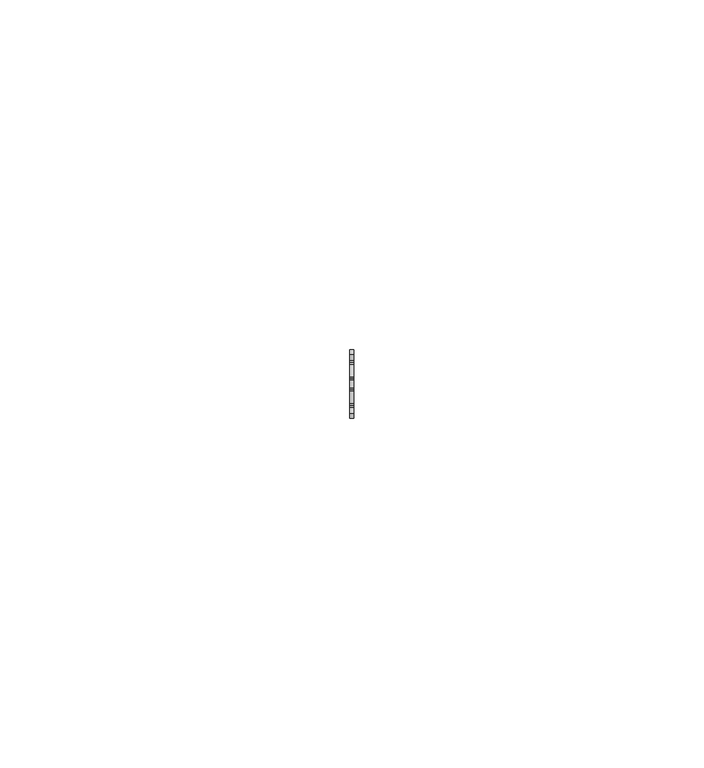
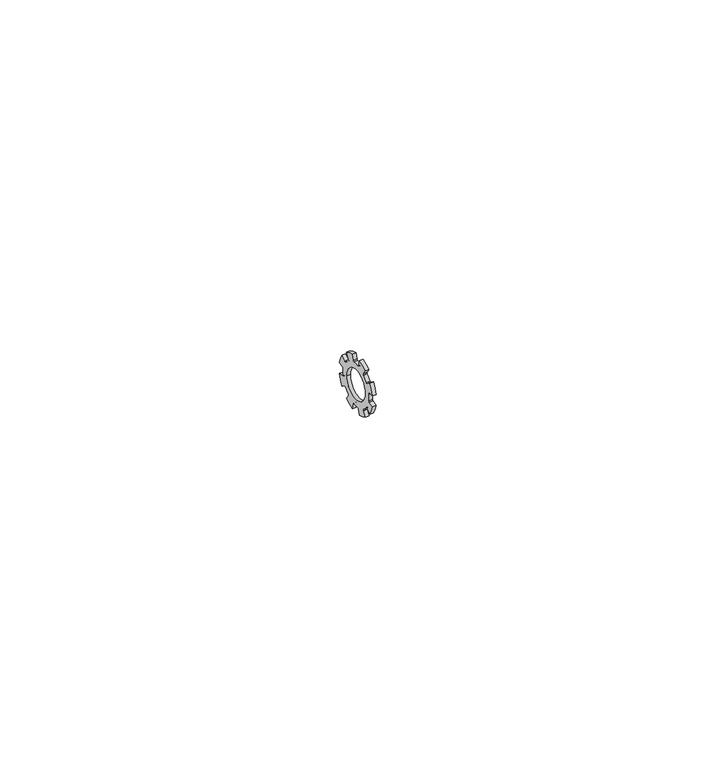
"""IFC4 building model written with IfcOpenShell, lengths in millimetres: proxy geometry."""

import ifcopenshell
import ifcopenshell.guid

model = None  # the IFC model being written
_history = None  # IfcOwnerHistory: only IFC2X3 demands one
_inside = {}  # id of a spatial element -> (the spatial element, [elements in it])
_under = {}  # id of a project, library or spatial element -> (it, [spatial elements below it])
_declared = {}  # id of a project -> (the project, [libraries it declares])
_typed = {}  # id of a type object -> (the type object, [elements of that type])
_made_of = {}  # id of a material, layer set ... -> (it, [elements and type objects made of it])


def new_model(schema):
    """Start an empty IFC model of exactly this schema.

    Asked for "IFC4X3", IfcOpenShell would pick the latest addendum, in which some entities
    have other attributes; the version numbers below select the first issue.
    IFC2X3 requires an IfcOwnerHistory on every rooted entity: one is made here for all.
    """
    global model, _history
    if schema == "IFC4X3":
        model = ifcopenshell.file(schema_version=(4, 3, 0, 0))
    else:
        model = ifcopenshell.file(schema=schema)
    _inside.clear()
    _under.clear()
    _declared.clear()
    _typed.clear()
    _made_of.clear()
    _history = None
    if model.schema == "IFC2X3":
        org = make("IfcOrganization", Name="unknown")
        user = make(
            "IfcPersonAndOrganization",
            ThePerson=make("IfcPerson", FamilyName="unknown"),
            TheOrganization=org,
        )
        app = make(
            "IfcApplication",
            ApplicationDeveloper=org,
            Version="unknown",
            ApplicationFullName="unknown",
            ApplicationIdentifier="unknown",
        )
        _history = make(
            "IfcOwnerHistory",
            OwningUser=user,
            OwningApplication=app,
            ChangeAction="ADDED",
            CreationDate=0,
        )
    return model


def make(cls, **values):
    """One entity of the class cls with the attributes given. An attribute that is None is left unset."""
    return model.create_entity(
        cls, **{name: value for name, value in values.items() if value is not None}
    )


def rooted(cls, **values):
    """An entity with a GlobalId (a new one), such as an element, a storey or a relation."""
    return make(cls, GlobalId=ifcopenshell.guid.new(), OwnerHistory=_history, **values)


def si_unit(unit_type, name, prefix=None):
    """IfcSIUnit, for example si_unit("LENGTHUNIT", "METRE", prefix="MILLI")."""
    return make("IfcSIUnit", UnitType=unit_type, Prefix=prefix, Name=name)


def assignment(units):
    """IfcUnitAssignment: the units of a project."""
    return None if units is None else make("IfcUnitAssignment", Units=units)


def point(xyz):
    """IfcCartesianPoint."""
    return None if xyz is None else make("IfcCartesianPoint", Coordinates=xyz)


def direction(xyz):
    """IfcDirection."""
    return None if xyz is None else make("IfcDirection", DirectionRatios=xyz)


def frame(location, z_axis=None, x_axis=None):
    """IfcAxis2Placement3D, a coordinate frame: its origin and axes. An axis left out is left unset."""
    return make(
        "IfcAxis2Placement3D",
        Location=point(location),
        Axis=direction(z_axis),
        RefDirection=direction(x_axis),
    )


def frame_2d(location, x_axis=None):
    """IfcAxis2Placement2D, a coordinate frame in the plane: its origin and x axis."""
    return make(
        "IfcAxis2Placement2D", Location=point(location), RefDirection=direction(x_axis)
    )


def origin():
    """The frame at (0, 0, 0) with its axes left unset."""
    return frame((0.0, 0.0, 0.0))


def origin_2d():
    """The frame at (0, 0) in the plane with its x axis left unset."""
    return frame_2d((0.0, 0.0))


def place(relative_to, where):
    """IfcLocalPlacement: puts the frame where relative to a parent placement (None: the world)."""
    return make(
        "IfcLocalPlacement", PlacementRelTo=relative_to, RelativePlacement=where
    )


def context(
    kind, dimensions, precision=None, world=None, true_north=None, identifier=None
):
    """IfcGeometricRepresentationContext, for example the 3D "Model" context."""
    return make(
        "IfcGeometricRepresentationContext",
        ContextIdentifier=identifier,
        ContextType=kind,
        CoordinateSpaceDimension=dimensions,
        Precision=precision,
        WorldCoordinateSystem=world,
        TrueNorth=true_north,
    )


def project(units=None, contexts=None):
    """IfcProject with its units and contexts."""
    return rooted(
        "IfcProject",
        Name="project",
        RepresentationContexts=contexts,
        UnitsInContext=assignment(units),
    )


def spatial(cls, under=None, at=None, **own):
    """A site, building, storey or space (cls), placed at a placement, below another one or the project."""
    s = rooted(cls, ObjectPlacement=at, **own)
    if under is not None:
        _under.setdefault(under.id(), (under, []))[1].append(s)
    return s


def polyline(points):
    """IfcPolyline through the points."""
    return make("IfcPolyline", Points=[point(p) for p in points])


def circle_curve(where, radius):
    """IfcCircle in the frame where."""
    return make("IfcCircle", Position=where, Radius=radius)


def trimmed(basis, trim1, trim2, sense, master):
    """IfcTrimmedCurve: the piece of a basis curve between two trims."""
    return make(
        "IfcTrimmedCurve",
        BasisCurve=basis,
        Trim1=trim1,
        Trim2=trim2,
        SenseAgreement=sense,
        MasterRepresentation=master,
    )


def segment(curve, same_sense, transition):
    """IfcCompositeCurveSegment."""
    return make(
        "IfcCompositeCurveSegment",
        Transition=transition,
        SameSense=same_sense,
        ParentCurve=curve,
    )


def composite_curve(segments, self_intersect=None):
    """IfcCompositeCurve: segments joined end to end."""
    return make("IfcCompositeCurve", Segments=segments, SelfIntersect=self_intersect)


def outline(outer, holes=None, kind="AREA"):
    """IfcArbitraryClosedProfileDef: a profile drawn as a closed curve; with holes, ...WithVoids."""
    if holes is None:
        return make("IfcArbitraryClosedProfileDef", ProfileType=kind, OuterCurve=outer)
    return make(
        "IfcArbitraryProfileDefWithVoids",
        ProfileType=kind,
        OuterCurve=outer,
        InnerCurves=holes,
    )


def extrude(swept, where, along, depth):
    """IfcExtrudedAreaSolid: the profile swept, set in the frame where, extruded along a direction by depth."""
    return make(
        "IfcExtrudedAreaSolid",
        SweptArea=swept,
        Position=where,
        ExtrudedDirection=direction(along),
        Depth=depth,
    )


def shape(context_of_items, identifier, shape_type, items):
    """IfcShapeRepresentation: the items that make up one representation, for example the "Body"."""
    return make(
        "IfcShapeRepresentation",
        ContextOfItems=context_of_items,
        RepresentationIdentifier=identifier,
        RepresentationType=shape_type,
        Items=items,
    )


def source(mapping_origin, context_of_items, identifier, shape_type, items):
    """IfcRepresentationMap: a shape defined once, which mapped items show again and again."""
    return make(
        "IfcRepresentationMap",
        MappingOrigin=mapping_origin,
        MappedRepresentation=shape(context_of_items, identifier, shape_type, items),
    )


def transform(
    local_origin,
    x_axis=None,
    y_axis=None,
    z_axis=None,
    scale=None,
    scale2=None,
    scale3=None,
    uniform=True,
):
    """IfcCartesianTransformationOperator3D, or its non-uniform kind. x_axis, y_axis, z_axis: its Axis1, 2, 3."""
    if uniform:
        return make(
            "IfcCartesianTransformationOperator3D",
            Axis1=direction(x_axis),
            Axis2=direction(y_axis),
            LocalOrigin=point(local_origin),
            Scale=scale,
            Axis3=direction(z_axis),
        )
    return make(
        "IfcCartesianTransformationOperator3DnonUniform",
        Axis1=direction(x_axis),
        Axis2=direction(y_axis),
        LocalOrigin=point(local_origin),
        Scale=scale,
        Axis3=direction(z_axis),
        Scale2=scale2,
        Scale3=scale3,
    )


def mapped(mapping_source, mapping_target):
    """IfcMappedItem: shows the shape of a source again, moved by a transform."""
    return make(
        "IfcMappedItem", MappingSource=mapping_source, MappingTarget=mapping_target
    )


def made_of(thing, what):
    """Note that an element or type object is made of a material, layer set ...; save() writes the relation."""
    if what is not None:
        _made_of.setdefault(what.id(), (what, []))[1].append(thing)
    return thing


def element(
    cls,
    number,
    at=None,
    inside=None,
    cuts=None,
    type_object=None,
    material=None,
    context=None,
    identifier="Body",
    shape_type=None,
    held_by="IfcProductDefinitionShape",
    body=None,
    shapes=None,
    **own,
):
    """One element of the class cls, such as IfcWall. Its Tag is "e" and its number.

    at: its placement. inside: the storey or other place that contains it. cuts: it is an
    opening in that element (IfcRelVoidsElement). A single representation is given by context,
    identifier, shape_type and body (its items); several are given by shapes. held_by: the class
    of the entity that holds the representations. save() writes the other relations.
    """
    e = rooted(cls, Tag="e%d" % number, ObjectPlacement=at, **own)
    if body is not None:
        shapes = [shape(context, identifier, shape_type, body)]
    if shapes is not None:
        e.Representation = make(held_by, Representations=shapes)
    if inside is not None:
        _inside.setdefault(inside.id(), (inside, []))[1].append(e)
    if cuts is not None:
        rooted(
            "IfcRelVoidsElement", RelatingBuildingElement=cuts, RelatedOpeningElement=e
        )
    if type_object is not None:
        _typed.setdefault(type_object.id(), (type_object, []))[1].append(e)
    return made_of(e, material)


def aggregate(whole, parts):
    """IfcRelAggregates: a whole, such as a stair, and the parts it consists of."""
    return rooted("IfcRelAggregates", RelatingObject=whole, RelatedObjects=parts)


def save(model, path):
    """Write the relations noted so far, then the file.

    IfcRelAggregates (storeys below a building ...), IfcRelContainedInSpatialStructure (elements
    in a storey), IfcRelDefinesByType, IfcRelAssociatesMaterial and IfcRelDeclares: one each for
    every whole, place, type object, material and project.
    """
    for whole, parts in _under.values():
        aggregate(whole, parts)
    for where, things in _inside.values():
        rooted(
            "IfcRelContainedInSpatialStructure",
            RelatedElements=things,
            RelatingStructure=where,
        )
    for kind, things in _typed.values():
        rooted("IfcRelDefinesByType", RelatedObjects=things, RelatingType=kind)
    for what, things in _made_of.values():
        rooted("IfcRelAssociatesMaterial", RelatedObjects=things, RelatingMaterial=what)
    for by, libraries in _declared.values():
        rooted("IfcRelDeclares", RelatingContext=by, RelatedDefinitions=libraries)
    model.write(path)


def generic_models_543c2415(model_context):
    return source(origin(), model_context, "Body", "SweptSolid", [
        extrude(outline(composite_curve([segment(polyline([(-0.7749317, -3.8958447), (-0.9754516, -4.9039264)]), True, "CONTINUOUS"), segment(trimmed(circle_curve(origin_2d(), 5.0), [point((-0.9754516, -4.9039264))], [point((-2.7778512, -4.1573481))], False, "CARTESIAN"), True, "CONTINUOUS"), segment(polyline([(-2.7778512, -4.1573481), (-2.2068187, -3.3027377)]), True, "CONTINUOUS"), segment(trimmed(circle_curve(frame_2d((-2.3315392, -3.2194021)), 0.15), [point((-2.2068187, -3.3027377))], [point((-2.2435566, -3.0979152))], True, "CARTESIAN"), True, "CONTINUOUS"), segment(trimmed(circle_curve(origin_2d(), 3.825), [point((-2.2435566, -3.0979152))], [point((-3.0979152, -2.2435566))], False, "CARTESIAN"), True, "CONTINUOUS"), segment(trimmed(circle_curve(frame_2d((-3.2194021, -2.3315392)), 0.15), [point((-3.0979152, -2.2435566))], [point((-3.3027377, -2.2068187))], True, "CARTESIAN"), True, "CONTINUOUS"), segment(polyline([(-3.3027377, -2.2068187), (-4.1573481, -2.7778512)]), True, "CONTINUOUS"), segment(trimmed(circle_curve(origin_2d(), 5.0), [point((-4.1573481, -2.7778512))], [point((-4.9039264, -0.9754516))], False, "CARTESIAN"), True, "CONTINUOUS"), segment(polyline([(-4.9039264, -0.9754516), (-3.8958447, -0.7749317)]), True, "CONTINUOUS"), segment(trimmed(circle_curve(frame_2d((-3.9251082, -0.6278139)), 0.15), [point((-3.8958447, -0.7749317))], [point((-3.7769909, -0.6041228))], True, "CARTESIAN"), True, "CONTINUOUS"), segment(trimmed(circle_curve(origin_2d(), 3.825), [point((-3.7769909, -0.6041228))], [point((-3.7769909, 0.6041228))], False, "CARTESIAN"), True, "CONTINUOUS"), segment(trimmed(circle_curve(frame_2d((-3.9251082, 0.6278139)), 0.15), [point((-3.7769909, 0.6041228))], [point((-3.8958447, 0.7749317))], True, "CARTESIAN"), True, "CONTINUOUS"), segment(polyline([(-3.8958447, 0.7749317), (-4.9039264, 0.9754516)]), True, "CONTINUOUS"), segment(trimmed(circle_curve(origin_2d(), 5.0), [point((-4.9039264, 0.9754516))], [point((-4.1573481, 2.7778512))], False, "CARTESIAN"), True, "CONTINUOUS"), segment(polyline([(-4.1573481, 2.7778512), (-3.3027377, 2.2068187)]), True, "CONTINUOUS"), segment(trimmed(circle_curve(frame_2d((-3.2194021, 2.3315392)), 0.15), [point((-3.3027377, 2.2068187))], [point((-3.0979152, 2.2435566))], True, "CARTESIAN"), True, "CONTINUOUS"), segment(trimmed(circle_curve(origin_2d(), 3.825), [point((-3.0979152, 2.2435566))], [point((-2.2435566, 3.0979152))], False, "CARTESIAN"), True, "CONTINUOUS"), segment(trimmed(circle_curve(frame_2d((-2.3315392, 3.2194021)), 0.15), [point((-2.2435566, 3.0979152))], [point((-2.2068187, 3.3027377))], True, "CARTESIAN"), True, "CONTINUOUS"), segment(polyline([(-2.2068187, 3.3027377), (-2.7778512, 4.1573481)]), True, "CONTINUOUS"), segment(trimmed(circle_curve(origin_2d(), 5.0), [point((-2.7778512, 4.1573481))], [point((-0.9754516, 4.9039264))], False, "CARTESIAN"), True, "CONTINUOUS"), segment(polyline([(-0.9754516, 4.9039264), (-0.7749317, 3.8958447)]), True, "CONTINUOUS"), segment(trimmed(circle_curve(frame_2d((-0.6278139, 3.9251082)), 0.15), [point((-0.7749317, 3.8958447))], [point((-0.6041228, 3.7769909))], True, "CARTESIAN"), True, "CONTINUOUS"), segment(trimmed(circle_curve(origin_2d(), 3.825), [point((-0.6041228, 3.7769909))], [point((0.6041228, 3.7769909))], False, "CARTESIAN"), True, "CONTINUOUS"), segment(trimmed(circle_curve(frame_2d((0.6278139, 3.9251082)), 0.15), [point((0.6041228, 3.7769909))], [point((0.7749317, 3.8958447))], True, "CARTESIAN"), True, "CONTINUOUS"), segment(polyline([(0.7749317, 3.8958447), (0.9754516, 4.9039264)]), True, "CONTINUOUS"), segment(trimmed(circle_curve(origin_2d(), 5.0), [point((0.9754516, 4.9039264))], [point((2.7778512, 4.1573481))], False, "CARTESIAN"), True, "CONTINUOUS"), segment(polyline([(2.7778512, 4.1573481), (2.2068187, 3.3027377)]), True, "CONTINUOUS"), segment(trimmed(circle_curve(frame_2d((2.3315392, 3.2194021)), 0.15), [point((2.2068187, 3.3027377))], [point((2.2435566, 3.0979152))], True, "CARTESIAN"), True, "CONTINUOUS"), segment(trimmed(circle_curve(origin_2d(), 3.825), [point((2.2435566, 3.0979152))], [point((3.0979152, 2.2435566))], False, "CARTESIAN"), True, "CONTINUOUS"), segment(trimmed(circle_curve(frame_2d((3.2194021, 2.3315392)), 0.15), [point((3.0979152, 2.2435566))], [point((3.3027377, 2.2068187))], True, "CARTESIAN"), True, "CONTINUOUS"), segment(polyline([(3.3027377, 2.2068187), (4.1573481, 2.7778512)]), True, "CONTINUOUS"), segment(trimmed(circle_curve(origin_2d(), 5.0), [point((4.1573481, 2.7778512))], [point((4.9039264, 0.9754516))], False, "CARTESIAN"), True, "CONTINUOUS"), segment(polyline([(4.9039264, 0.9754516), (3.8958447, 0.7749317)]), True, "CONTINUOUS"), segment(trimmed(circle_curve(frame_2d((3.9251082, 0.6278139)), 0.15), [point((3.8958447, 0.7749317))], [point((3.7769909, 0.6041228))], True, "CARTESIAN"), True, "CONTINUOUS"), segment(trimmed(circle_curve(origin_2d(), 3.825), [point((3.7769909, 0.6041228))], [point((3.7769909, -0.6041228))], False, "CARTESIAN"), True, "CONTINUOUS"), segment(trimmed(circle_curve(frame_2d((3.9251082, -0.6278139)), 0.15), [point((3.7769909, -0.6041228))], [point((3.8958447, -0.7749317))], True, "CARTESIAN"), True, "CONTINUOUS"), segment(polyline([(3.8958447, -0.7749317), (4.9039264, -0.9754516)]), True, "CONTINUOUS"), segment(trimmed(circle_curve(origin_2d(), 5.0), [point((4.9039264, -0.9754516))], [point((4.1573481, -2.7778512))], False, "CARTESIAN"), True, "CONTINUOUS"), segment(polyline([(4.1573481, -2.7778512), (3.3027377, -2.2068187)]), True, "CONTINUOUS"), segment(trimmed(circle_curve(frame_2d((3.2194021, -2.3315392)), 0.15), [point((3.3027377, -2.2068187))], [point((3.0979152, -2.2435566))], True, "CARTESIAN"), True, "CONTINUOUS"), segment(trimmed(circle_curve(origin_2d(), 3.825), [point((3.0979152, -2.2435566))], [point((2.2435566, -3.0979152))], False, "CARTESIAN"), True, "CONTINUOUS"), segment(trimmed(circle_curve(frame_2d((2.3315392, -3.2194021)), 0.15), [point((2.2435566, -3.0979152))], [point((2.2068187, -3.3027377))], True, "CARTESIAN"), True, "CONTINUOUS"), segment(polyline([(2.2068187, -3.3027377), (2.7778512, -4.1573481)]), True, "CONTINUOUS"), segment(trimmed(circle_curve(origin_2d(), 5.0), [point((2.7778512, -4.1573481))], [point((0.9754516, -4.9039264))], False, "CARTESIAN"), True, "CONTINUOUS"), segment(polyline([(0.9754516, -4.9039264), (0.7749317, -3.8958447)]), True, "CONTINUOUS"), segment(trimmed(circle_curve(frame_2d((0.6278139, -3.9251082)), 0.15), [point((0.7749317, -3.8958447))], [point((0.6041228, -3.7769909))], True, "CARTESIAN"), True, "CONTINUOUS"), segment(trimmed(circle_curve(origin_2d(), 3.825), [point((0.6041228, -3.7769909))], [point((-0.6041228, -3.7769909))], False, "CARTESIAN"), True, "CONTINUOUS"), segment(trimmed(circle_curve(frame_2d((-0.6278139, -3.9251082)), 0.15), [point((-0.6041228, -3.7769909))], [point((-0.7749317, -3.8958447))], True, "CARTESIAN"), True, "CONTINUOUS")], self_intersect=False), holes=[composite_curve([segment(trimmed(circle_curve(origin_2d(), 2.65), [point((2.65, 0.0))], [point((-2.65, 0.0))], True, "CARTESIAN"), True, "CONTINUOUS"), segment(trimmed(circle_curve(origin_2d(), 2.65), [point((-2.65, 0.0))], [point((2.65, 0.0))], True, "CARTESIAN"), True, "CONTINUOUS")], self_intersect=False)]), frame((0.0, 0.0, 0.0), z_axis=(1.0, 0.0, 0.0), x_axis=(0.0, 1.0, 0.0)), (0.0, 0.0, 1.0), 0.6),
    ])


if __name__ == "__main__":
    model = new_model("IFC4")
    model_context = context("Model", 3, world=origin())
    ifc_project = project(units=[si_unit("LENGTHUNIT", "METRE", prefix="MILLI")], contexts=[model_context])
    site = spatial("IfcSite", under=ifc_project)
    building = spatial("IfcBuilding", under=site)
    placement = place(None, origin())
    generic_models_shape = generic_models_543c2415(model_context)
    element("IfcBuildingElementProxy", 1, Name="Generic Models", at=placement, inside=building, context=model_context, shape_type="MappedRepresentation", body=[
        mapped(generic_models_shape, transform((0.0, 0.0, 0.0), x_axis=(1.0, 0.0, 0.0), y_axis=(0.0, 1.0, 0.0), z_axis=(0.0, 0.0, 1.0))),
    ])
    save(model, "model.ifc")
